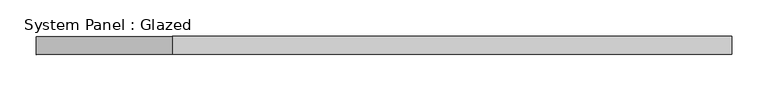
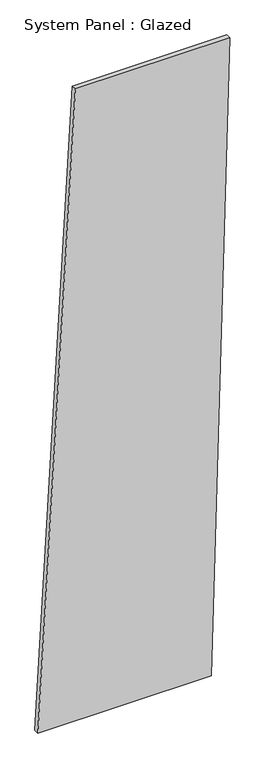
"""IFC4 building model written with IfcOpenShell, lengths in millimetres: plate geometry, System Panel : Glazed."""

from ifc_helpers import new_model, si_unit, frame, origin, place, context, project, spatial, polyline, outline, extrude, source, transform, mapped, element, save


def system_panel_glazed_ca7b6de8(model_context):
    return source(origin(), model_context, "Body", "SweptSolid", [
        extrude(outline(polyline([(0.0, -480.0114253), (0.0, 386.2992302), (3339.8511072, 480.0114253), (3339.8511072, -292.587035), (0.0, -480.0114253)])), frame((0.0, -49.5, 0.0), z_axis=(0.0, 1.0, 0.0), x_axis=(0.0, 0.0, 1.0)), (0.0, 0.0, 1.0), 25.0),
    ])


if __name__ == "__main__":
    model = new_model("IFC4")
    model_context = context("Model", 3, world=origin())
    ifc_project = project(units=[si_unit("LENGTHUNIT", "METRE", prefix="MILLI")], contexts=[model_context])
    site = spatial("IfcSite", under=ifc_project)
    building = spatial("IfcBuilding", under=site)
    placement = place(None, origin())
    system_panel_glazed_shape = system_panel_glazed_ca7b6de8(model_context)
    element("IfcPlate", 1, ObjectType="System Panel : Glazed", at=placement, inside=building, context=model_context, shape_type="MappedRepresentation", body=[
        mapped(system_panel_glazed_shape, transform((0.0, 0.0, 0.0), x_axis=(1.0, 0.0, 0.0), y_axis=(0.0, 1.0, 0.0), z_axis=(0.0, 0.0, 1.0))),
    ])
    save(model, "model.ifc")
